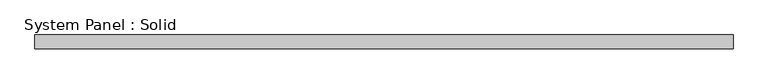
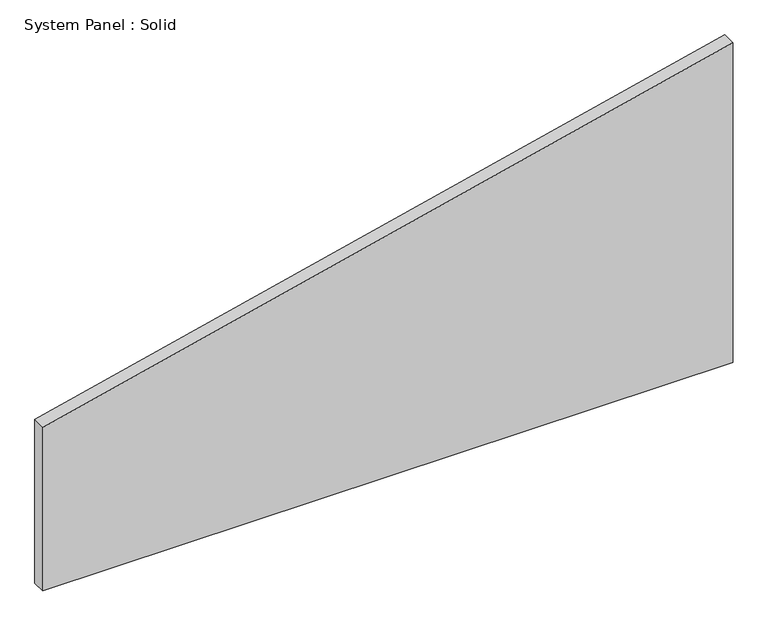
"""IFC4 building model written with IfcOpenShell, lengths in millimetres: plate geometry, System Panel : Solid."""

import ifcopenshell
import ifcopenshell.guid

model = None  # the IFC model being written
_history = None  # IfcOwnerHistory: only IFC2X3 demands one
_inside = {}  # id of a spatial element -> (the spatial element, [elements in it])
_under = {}  # id of a project, library or spatial element -> (it, [spatial elements below it])
_declared = {}  # id of a project -> (the project, [libraries it declares])
_typed = {}  # id of a type object -> (the type object, [elements of that type])
_made_of = {}  # id of a material, layer set ... -> (it, [elements and type objects made of it])


def new_model(schema):
    """Start an empty IFC model of exactly this schema.

    Asked for "IFC4X3", IfcOpenShell would pick the latest addendum, in which some entities
    have other attributes; the version numbers below select the first issue.
    IFC2X3 requires an IfcOwnerHistory on every rooted entity: one is made here for all.
    """
    global model, _history
    if schema == "IFC4X3":
        model = ifcopenshell.file(schema_version=(4, 3, 0, 0))
    else:
        model = ifcopenshell.file(schema=schema)
    _inside.clear()
    _under.clear()
    _declared.clear()
    _typed.clear()
    _made_of.clear()
    _history = None
    if model.schema == "IFC2X3":
        org = make("IfcOrganization", Name="unknown")
        user = make(
            "IfcPersonAndOrganization",
            ThePerson=make("IfcPerson", FamilyName="unknown"),
            TheOrganization=org,
        )
        app = make(
            "IfcApplication",
            ApplicationDeveloper=org,
            Version="unknown",
            ApplicationFullName="unknown",
            ApplicationIdentifier="unknown",
        )
        _history = make(
            "IfcOwnerHistory",
            OwningUser=user,
            OwningApplication=app,
            ChangeAction="ADDED",
            CreationDate=0,
        )
    return model


def make(cls, **values):
    """One entity of the class cls with the attributes given. An attribute that is None is left unset."""
    return model.create_entity(
        cls, **{name: value for name, value in values.items() if value is not None}
    )


def rooted(cls, **values):
    """An entity with a GlobalId (a new one), such as an element, a storey or a relation."""
    return make(cls, GlobalId=ifcopenshell.guid.new(), OwnerHistory=_history, **values)


def si_unit(unit_type, name, prefix=None):
    """IfcSIUnit, for example si_unit("LENGTHUNIT", "METRE", prefix="MILLI")."""
    return make("IfcSIUnit", UnitType=unit_type, Prefix=prefix, Name=name)


def assignment(units):
    """IfcUnitAssignment: the units of a project."""
    return None if units is None else make("IfcUnitAssignment", Units=units)


def point(xyz):
    """IfcCartesianPoint."""
    return None if xyz is None else make("IfcCartesianPoint", Coordinates=xyz)


def direction(xyz):
    """IfcDirection."""
    return None if xyz is None else make("IfcDirection", DirectionRatios=xyz)


def frame(location, z_axis=None, x_axis=None):
    """IfcAxis2Placement3D, a coordinate frame: its origin and axes. An axis left out is left unset."""
    return make(
        "IfcAxis2Placement3D",
        Location=point(location),
        Axis=direction(z_axis),
        RefDirection=direction(x_axis),
    )


def origin():
    """The frame at (0, 0, 0) with its axes left unset."""
    return frame((0.0, 0.0, 0.0))


def place(relative_to, where):
    """IfcLocalPlacement: puts the frame where relative to a parent placement (None: the world)."""
    return make(
        "IfcLocalPlacement", PlacementRelTo=relative_to, RelativePlacement=where
    )


def context(
    kind, dimensions, precision=None, world=None, true_north=None, identifier=None
):
    """IfcGeometricRepresentationContext, for example the 3D "Model" context."""
    return make(
        "IfcGeometricRepresentationContext",
        ContextIdentifier=identifier,
        ContextType=kind,
        CoordinateSpaceDimension=dimensions,
        Precision=precision,
        WorldCoordinateSystem=world,
        TrueNorth=true_north,
    )


def project(units=None, contexts=None):
    """IfcProject with its units and contexts."""
    return rooted(
        "IfcProject",
        Name="project",
        RepresentationContexts=contexts,
        UnitsInContext=assignment(units),
    )


def spatial(cls, under=None, at=None, **own):
    """A site, building, storey or space (cls), placed at a placement, below another one or the project."""
    s = rooted(cls, ObjectPlacement=at, **own)
    if under is not None:
        _under.setdefault(under.id(), (under, []))[1].append(s)
    return s


def polyline(points):
    """IfcPolyline through the points."""
    return make("IfcPolyline", Points=[point(p) for p in points])


def outline(outer, holes=None, kind="AREA"):
    """IfcArbitraryClosedProfileDef: a profile drawn as a closed curve; with holes, ...WithVoids."""
    if holes is None:
        return make("IfcArbitraryClosedProfileDef", ProfileType=kind, OuterCurve=outer)
    return make(
        "IfcArbitraryProfileDefWithVoids",
        ProfileType=kind,
        OuterCurve=outer,
        InnerCurves=holes,
    )


def extrude(swept, where, along, depth):
    """IfcExtrudedAreaSolid: the profile swept, set in the frame where, extruded along a direction by depth."""
    return make(
        "IfcExtrudedAreaSolid",
        SweptArea=swept,
        Position=where,
        ExtrudedDirection=direction(along),
        Depth=depth,
    )


def shape(context_of_items, identifier, shape_type, items):
    """IfcShapeRepresentation: the items that make up one representation, for example the "Body"."""
    return make(
        "IfcShapeRepresentation",
        ContextOfItems=context_of_items,
        RepresentationIdentifier=identifier,
        RepresentationType=shape_type,
        Items=items,
    )


def source(mapping_origin, context_of_items, identifier, shape_type, items):
    """IfcRepresentationMap: a shape defined once, which mapped items show again and again."""
    return make(
        "IfcRepresentationMap",
        MappingOrigin=mapping_origin,
        MappedRepresentation=shape(context_of_items, identifier, shape_type, items),
    )


def transform(
    local_origin,
    x_axis=None,
    y_axis=None,
    z_axis=None,
    scale=None,
    scale2=None,
    scale3=None,
    uniform=True,
):
    """IfcCartesianTransformationOperator3D, or its non-uniform kind. x_axis, y_axis, z_axis: its Axis1, 2, 3."""
    if uniform:
        return make(
            "IfcCartesianTransformationOperator3D",
            Axis1=direction(x_axis),
            Axis2=direction(y_axis),
            LocalOrigin=point(local_origin),
            Scale=scale,
            Axis3=direction(z_axis),
        )
    return make(
        "IfcCartesianTransformationOperator3DnonUniform",
        Axis1=direction(x_axis),
        Axis2=direction(y_axis),
        LocalOrigin=point(local_origin),
        Scale=scale,
        Axis3=direction(z_axis),
        Scale2=scale2,
        Scale3=scale3,
    )


def mapped(mapping_source, mapping_target):
    """IfcMappedItem: shows the shape of a source again, moved by a transform."""
    return make(
        "IfcMappedItem", MappingSource=mapping_source, MappingTarget=mapping_target
    )


def made_of(thing, what):
    """Note that an element or type object is made of a material, layer set ...; save() writes the relation."""
    if what is not None:
        _made_of.setdefault(what.id(), (what, []))[1].append(thing)
    return thing


def element(
    cls,
    number,
    at=None,
    inside=None,
    cuts=None,
    type_object=None,
    material=None,
    context=None,
    identifier="Body",
    shape_type=None,
    held_by="IfcProductDefinitionShape",
    body=None,
    shapes=None,
    **own,
):
    """One element of the class cls, such as IfcWall. Its Tag is "e" and its number.

    at: its placement. inside: the storey or other place that contains it. cuts: it is an
    opening in that element (IfcRelVoidsElement). A single representation is given by context,
    identifier, shape_type and body (its items); several are given by shapes. held_by: the class
    of the entity that holds the representations. save() writes the other relations.
    """
    e = rooted(cls, Tag="e%d" % number, ObjectPlacement=at, **own)
    if body is not None:
        shapes = [shape(context, identifier, shape_type, body)]
    if shapes is not None:
        e.Representation = make(held_by, Representations=shapes)
    if inside is not None:
        _inside.setdefault(inside.id(), (inside, []))[1].append(e)
    if cuts is not None:
        rooted(
            "IfcRelVoidsElement", RelatingBuildingElement=cuts, RelatedOpeningElement=e
        )
    if type_object is not None:
        _typed.setdefault(type_object.id(), (type_object, []))[1].append(e)
    return made_of(e, material)


def aggregate(whole, parts):
    """IfcRelAggregates: a whole, such as a stair, and the parts it consists of."""
    return rooted("IfcRelAggregates", RelatingObject=whole, RelatedObjects=parts)


def save(model, path):
    """Write the relations noted so far, then the file.

    IfcRelAggregates (storeys below a building ...), IfcRelContainedInSpatialStructure (elements
    in a storey), IfcRelDefinesByType, IfcRelAssociatesMaterial and IfcRelDeclares: one each for
    every whole, place, type object, material and project.
    """
    for whole, parts in _under.values():
        aggregate(whole, parts)
    for where, things in _inside.values():
        rooted(
            "IfcRelContainedInSpatialStructure",
            RelatedElements=things,
            RelatingStructure=where,
        )
    for kind, things in _typed.values():
        rooted("IfcRelDefinesByType", RelatedObjects=things, RelatingType=kind)
    for what, things in _made_of.values():
        rooted("IfcRelAssociatesMaterial", RelatedObjects=things, RelatingMaterial=what)
    for by, libraries in _declared.values():
        rooted("IfcRelDeclares", RelatingContext=by, RelatedDefinitions=libraries)
    model.write(path)


def system_panel_solid_c3a67b10(model_context):
    return source(origin(), model_context, "Body", "SweptSolid", [
        extrude(outline(polyline([(0.0, -1500.0), (0.0, 1500.0), (1470.8618715, 1500.0), (752.6306924, -1500.0), (0.0, -1500.0)])), frame((0.0, -10.5, 0.0), z_axis=(0.0, 1.0, 0.0), x_axis=(0.0, 0.0, 1.0)), (0.0, 0.0, 1.0), 60.0),
    ])


if __name__ == "__main__":
    model = new_model("IFC4")
    model_context = context("Model", 3, world=origin())
    ifc_project = project(units=[si_unit("LENGTHUNIT", "METRE", prefix="MILLI")], contexts=[model_context])
    site = spatial("IfcSite", under=ifc_project)
    building = spatial("IfcBuilding", under=site)
    placement = place(None, origin())
    system_panel_solid_shape = system_panel_solid_c3a67b10(model_context)
    element("IfcPlate", 1, ObjectType="System Panel : Solid", at=placement, inside=building, context=model_context, shape_type="MappedRepresentation", body=[
        mapped(system_panel_solid_shape, transform((0.0, 0.0, 0.0), x_axis=(1.0, 0.0, 0.0), y_axis=(0.0, 1.0, 0.0), z_axis=(0.0, 0.0, 1.0))),
    ])
    save(model, "model.ifc")
